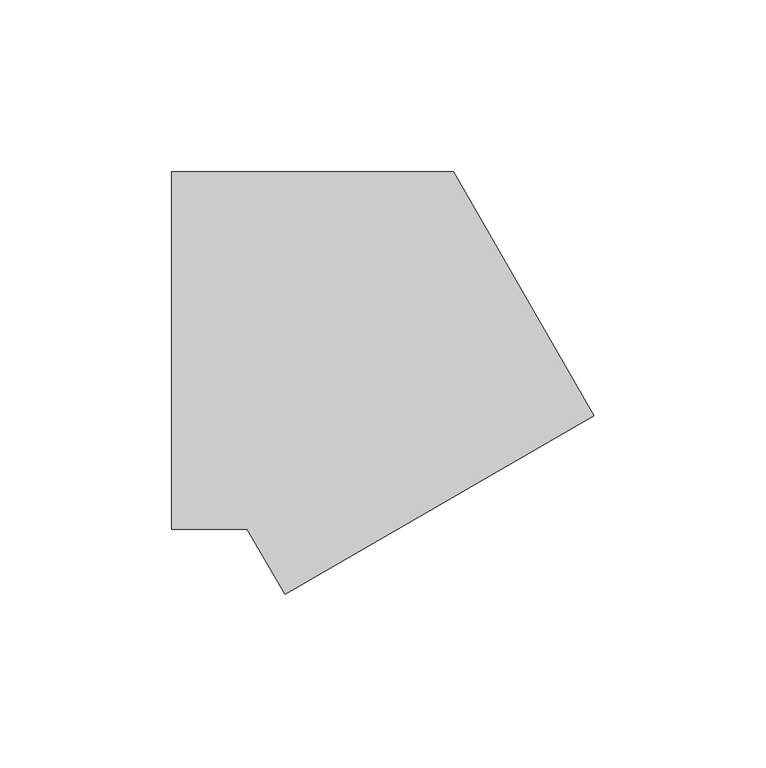
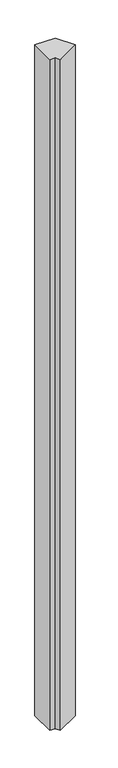
"""IFC4 building model written with IfcOpenShell, lengths in millimetres: member geometry."""

from ifc_helpers import new_model, si_unit, frame, origin, place, context, project, spatial, polyline, outline, extrude, source, transform, mapped, element, save


def member_a69e93d6(model_context):
    return source(origin(), model_context, "Body", "SweptSolid", [
        extrude(outline(polyline([(-19.033321, -71.033321), (-30.022214, -52.0), (-52.0, -52.0), (-52.0, 52.0), (30.022214, 52.0), (71.033321, -19.033321), (-19.033321, -71.033321)])), frame((0.0, 0.0, -2885.0), z_axis=(0.0, 0.0, 1.0), x_axis=(1.0, 0.0, 0.0)), (0.0, 0.0, 1.0), 2885.0),
    ])


if __name__ == "__main__":
    model = new_model("IFC4")
    model_context = context("Model", 3, world=origin())
    ifc_project = project(units=[si_unit("LENGTHUNIT", "METRE", prefix="MILLI")], contexts=[model_context])
    site = spatial("IfcSite", under=ifc_project)
    building = spatial("IfcBuilding", under=site)
    placement = place(None, origin())
    member_shape = member_a69e93d6(model_context)
    element("IfcMember", 1, at=placement, inside=building, context=model_context, shape_type="MappedRepresentation", body=[
        mapped(member_shape, transform((0.0, 0.0, 0.0), x_axis=(1.0, 0.0, 0.0), y_axis=(0.0, 1.0, 0.0), z_axis=(0.0, 0.0, 1.0))),
    ])
    save(model, "model.ifc")
